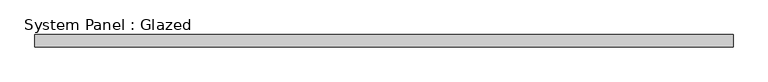
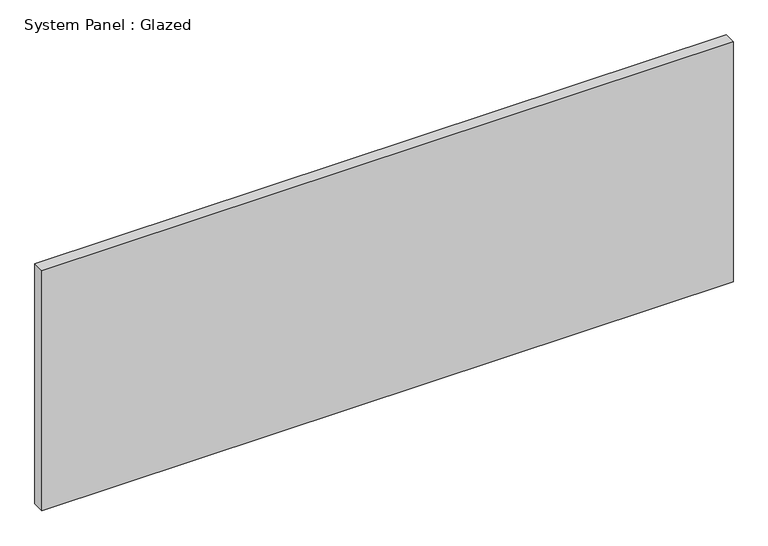
"""IFC4 building model written with IfcOpenShell, lengths in millimetres: plate geometry, System Panel : Glazed."""

from ifc_helpers import new_model, si_unit, origin, origin_with_axes, place, context, project, spatial, polyline, outline, extrude, source, transform, mapped, element, save


def system_panel_glazed_cd85d9b8(model_context):
    return source(origin(), model_context, "Body", "SweptSolid", [
        extrude(outline(polyline([(715.002393, 24.5), (-715.002393, 24.5), (-715.002393, 49.5), (715.002393, 49.5), (715.002393, 24.5)])), origin_with_axes(), (0.0, 0.0, 1.0), 525.0),
    ])


if __name__ == "__main__":
    model = new_model("IFC4")
    model_context = context("Model", 3, world=origin())
    ifc_project = project(units=[si_unit("LENGTHUNIT", "METRE", prefix="MILLI")], contexts=[model_context])
    site = spatial("IfcSite", under=ifc_project)
    building = spatial("IfcBuilding", under=site)
    placement = place(None, origin())
    system_panel_glazed_shape = system_panel_glazed_cd85d9b8(model_context)
    element("IfcPlate", 1, ObjectType="System Panel : Glazed", at=placement, inside=building, context=model_context, shape_type="MappedRepresentation", body=[
        mapped(system_panel_glazed_shape, transform((0.0, 0.0, 0.0), x_axis=(1.0, 0.0, 0.0), y_axis=(0.0, 1.0, 0.0), z_axis=(0.0, 0.0, 1.0))),
    ])
    save(model, "model.ifc")
